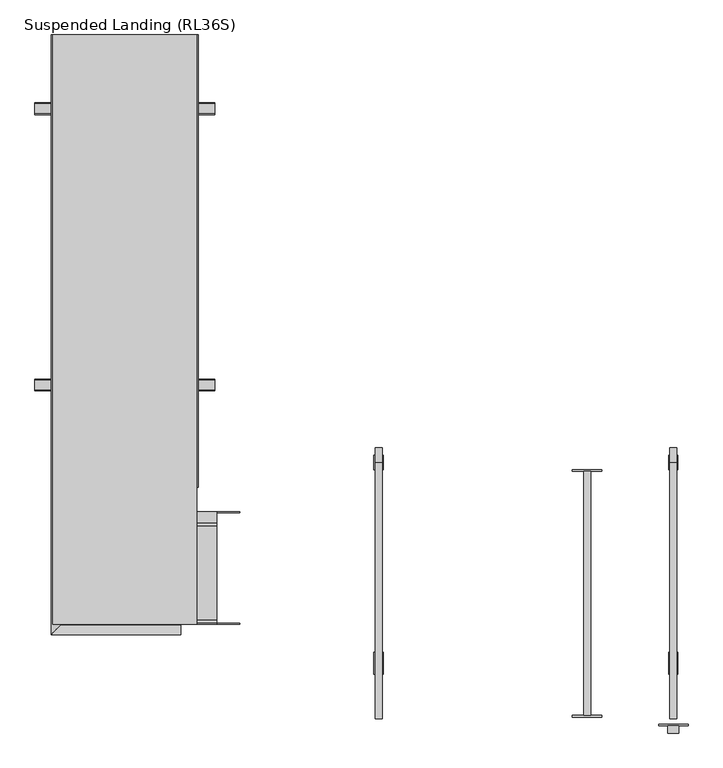
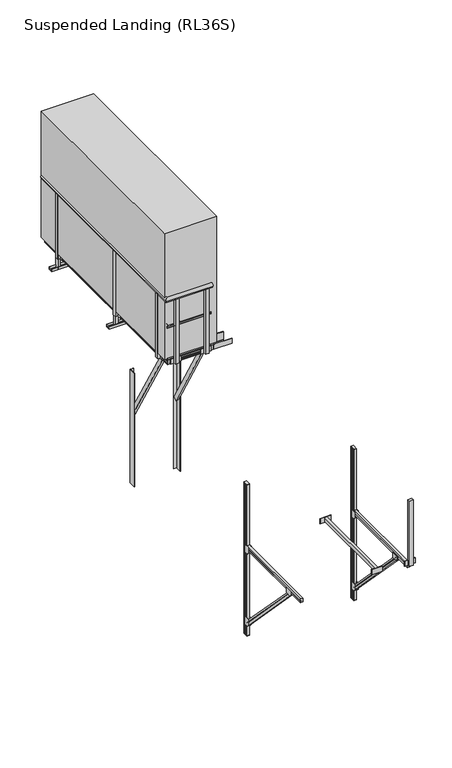
"""IFC4 building model written with IfcOpenShell, lengths in millimetres: proxy geometry, Suspended Landing (RL36S)."""

from ifc_helpers import new_model, si_unit, frame, origin, place, context, project, spatial, polyline, circle_curve, ellipse_curve, outline, extrude, faceted_brep, source, transform, mapped, element, save
from ifc_brep_helpers import plane_surface, cylinder_surface, advanced_brep


def suspended_landing_rl36s_077e05f3(model_context):
    return source(origin(), model_context, "Body", "SolidModel", [
        extrude(outline(polyline([(-2675.1083547, -748.0), (-2675.1083547, -786.5), (-2733.6083547, -786.5), (-2733.6083547, -748.0), (-2675.1083547, -748.0)])), frame((0.0, 0.0, 8909.0), z_axis=(0.0, 0.0, 1.0), x_axis=(1.0, 0.0, 0.0)), (0.0, 0.0, 1.0), 1035.5),
        extrude(outline(polyline([(-2624.3583547, -748.0), (-2784.3583547, -748.0), (-2784.3583547, -738.0), (-2624.3583547, -738.0), (-2624.3583547, -748.0)])), frame((0.0, 0.0, 8904.0), z_axis=(0.0, 0.0, 1.0), x_axis=(1.0, 0.0, 0.0)), (0.0, 0.0, 1.0), 80.0),
        extrude(outline(polyline([(-3125.1083547, -748.0), (-3125.1083547, -786.5), (-3183.6083547, -786.5), (-3183.6083547, -748.0), (-3125.1083547, -748.0)])), frame((0.0, 0.0, 8909.0), z_axis=(0.0, 0.0, 1.0), x_axis=(1.0, 0.0, 0.0)), (0.0, 0.0, 1.0), 1035.5),
        extrude(outline(polyline([(-3074.3583547, -748.0), (-3234.3583547, -748.0), (-3234.3583547, -738.0), (-3074.3583547, -738.0), (-3074.3583547, -748.0)])), frame((0.0, 0.0, 8904.0), z_axis=(0.0, 0.0, 1.0), x_axis=(1.0, 0.0, 0.0)), (0.0, 0.0, 1.0), 80.0),
        extrude(outline(polyline([(-2634.3583547, 2161.25), (-2634.3583547, 2122.75), (-3224.3583547, 2122.75), (-3224.3583547, 2161.25), (-2634.3583547, 2161.25)])), frame((0.0, 0.0, 8925.5), z_axis=(0.0, 0.0, 1.0), x_axis=(1.0, 0.0, 0.0)), (0.0, 0.0, 1.0), 58.5),
        extrude(outline(polyline([(-3224.3583547, 2222.0), (-3224.3583547, 2062.0), (-3234.3583547, 2062.0), (-3234.3583547, 2222.0), (-3224.3583547, 2222.0)])), frame((0.0, 0.0, 8904.0), z_axis=(0.0, 0.0, 1.0), x_axis=(1.0, 0.0, 0.0)), (0.0, 0.0, 1.0), 80.0),
        extrude(outline(polyline([(-2624.3583547, 2222.0), (-2624.3583547, 2062.0), (-2634.3583547, 2062.0), (-2634.3583547, 2222.0), (-2624.3583547, 2222.0)])), frame((0.0, 0.0, 8904.0), z_axis=(0.0, 0.0, 1.0), x_axis=(1.0, 0.0, 0.0)), (0.0, 0.0, 1.0), 80.0),
        extrude(outline(polyline([(-2634.3583547, 1521.25), (-2634.3583547, 1482.75), (-3224.3583547, 1482.75), (-3224.3583547, 1521.25), (-2634.3583547, 1521.25)])), frame((0.0, 0.0, 8925.5), z_axis=(0.0, 0.0, 1.0), x_axis=(1.0, 0.0, 0.0)), (0.0, 0.0, 1.0), 58.5),
        extrude(outline(polyline([(-3224.3583547, 1582.0), (-3224.3583547, 1422.0), (-3234.3583547, 1422.0), (-3234.3583547, 1582.0), (-3224.3583547, 1582.0)])), frame((0.0, 0.0, 8904.0), z_axis=(0.0, 0.0, 1.0), x_axis=(1.0, 0.0, 0.0)), (0.0, 0.0, 1.0), 80.0),
        extrude(outline(polyline([(-2624.3583547, 1582.0), (-2624.3583547, 1422.0), (-2634.3583547, 1422.0), (-2634.3583547, 1582.0), (-2624.3583547, 1582.0)])), frame((0.0, 0.0, 8904.0), z_axis=(0.0, 0.0, 1.0), x_axis=(1.0, 0.0, 0.0)), (0.0, 0.0, 1.0), 80.0),
        extrude(outline(polyline([(-3282.8583547, -567.25), (-3321.3583547, -567.25), (-3321.3583547, -508.75), (-3282.8583547, -508.75), (-3282.8583547, -567.25)])), frame((0.0, 0.0, 8909.0), z_axis=(0.0, 0.0, 1.0), x_axis=(1.0, 0.0, 0.0)), (0.0, 0.0, 1.0), 1035.5),
        extrude(outline(polyline([(-3282.8583547, -618.0), (-3282.8583547, -458.0), (-3272.8583547, -458.0), (-3272.8583547, -618.0), (-3282.8583547, -618.0)])), frame((0.0, 0.0, 8904.0), z_axis=(0.0, 0.0, 1.0), x_axis=(1.0, 0.0, 0.0)), (0.0, 0.0, 1.0), 80.0),
        extrude(outline(polyline([(-3282.8583547, 2032.75), (-3321.3583547, 2032.75), (-3321.3583547, 2091.25), (-3282.8583547, 2091.25), (-3282.8583547, 2032.75)])), frame((0.0, 0.0, 8909.0), z_axis=(0.0, 0.0, 1.0), x_axis=(1.0, 0.0, 0.0)), (0.0, 0.0, 1.0), 1035.5),
        extrude(outline(polyline([(-3282.8583547, 1982.0), (-3282.8583547, 2142.0), (-3272.8583547, 2142.0), (-3272.8583547, 1982.0), (-3282.8583547, 1982.0)])), frame((0.0, 0.0, 8904.0), z_axis=(0.0, 0.0, 1.0), x_axis=(1.0, 0.0, 0.0)), (0.0, 0.0, 1.0), 80.0),
        extrude(outline(polyline([(-2575.8583547, 2091.25), (-2537.3583547, 2091.25), (-2537.3583547, 2032.75), (-2575.8583547, 2032.75), (-2575.8583547, 2091.25)])), frame((0.0, 0.0, 8909.0), z_axis=(0.0, 0.0, 1.0), x_axis=(1.0, 0.0, 0.0)), (0.0, 0.0, 1.0), 1035.5),
        extrude(outline(polyline([(-2575.8583547, 2142.0), (-2575.8583547, 1982.0), (-2585.8583547, 1982.0), (-2585.8583547, 2142.0), (-2575.8583547, 2142.0)])), frame((0.0, 0.0, 8904.0), z_axis=(0.0, 0.0, 1.0), x_axis=(1.0, 0.0, 0.0)), (0.0, 0.0, 1.0), 80.0),
        extrude(outline(polyline([(590.5, 8790.0), (594.5, 8790.0), (594.5, 8750.0), (529.5, 8750.0), (529.5, 8790.0), (533.5, 8790.0), (533.5, 8754.0), (590.5, 8754.0), (590.5, 8790.0)])), frame((-3416.8583547, 0.0, 0.0), z_axis=(1.0, 0.0, 0.0), x_axis=(0.0, 1.0, 0.0)), (0.0, 0.0, 1.0), 975.0),
        extrude(outline(polyline([(2090.5, 8790.0), (2094.5, 8790.0), (2094.5, 8750.0), (2029.5, 8750.0), (2029.5, 8790.0), (2033.5, 8790.0), (2033.5, 8754.0), (2090.5, 8754.0), (2090.5, 8790.0)])), frame((-3416.8583547, 0.0, 0.0), z_axis=(1.0, 0.0, 0.0), x_axis=(0.0, 1.0, 0.0)), (0.0, 0.0, 1.0), 975.0),
        extrude(outline(polyline([(-3316.8583547, 589.0), (-3282.8583547, 589.0), (-3282.8583547, 535.0), (-3316.8583547, 535.0), (-3316.8583547, 589.0)])), frame((0.0, 0.0, 8754.0), z_axis=(0.0, 0.0, 1.0), x_axis=(1.0, 0.0, 0.0)), (0.0, 0.0, 1.0), 230.0),
        extrude(outline(polyline([(-2575.8583547, 535.0), (-2575.8583547, 589.0), (-2541.8583547, 589.0), (-2541.8583547, 535.0), (-2575.8583547, 535.0)])), frame((0.0, 0.0, 8754.0), z_axis=(0.0, 0.0, 1.0), x_axis=(1.0, 0.0, 0.0)), (0.0, 0.0, 1.0), 230.0),
        extrude(outline(polyline([(-3316.8583547, 2035.0), (-3316.8583547, 2089.0), (-3282.8583547, 2089.0), (-3282.8583547, 2035.0), (-3316.8583547, 2035.0)])), frame((0.0, 0.0, 8754.0), z_axis=(0.0, 0.0, 1.0), x_axis=(1.0, 0.0, 0.0)), (0.0, 0.0, 1.0), 230.0),
        extrude(outline(polyline([(-2575.8583547, 2089.0), (-2541.8583547, 2089.0), (-2541.8583547, 2035.0), (-2575.8583547, 2035.0), (-2575.8583547, 2089.0)])), frame((0.0, 0.0, 8754.0), z_axis=(0.0, 0.0, 1.0), x_axis=(1.0, 0.0, 0.0)), (0.0, 0.0, 1.0), 230.0),
        extrude(outline(polyline([(-2634.3583547, 881.25), (-2634.3583547, 842.75), (-3224.3583547, 842.75), (-3224.3583547, 881.25), (-2634.3583547, 881.25)])), frame((0.0, 0.0, 8925.5), z_axis=(0.0, 0.0, 1.0), x_axis=(1.0, 0.0, 0.0)), (0.0, 0.0, 1.0), 58.5),
        extrude(outline(polyline([(-3224.3583547, 942.0), (-3224.3583547, 782.0), (-3234.3583547, 782.0), (-3234.3583547, 942.0), (-3224.3583547, 942.0)])), frame((0.0, 0.0, 8904.0), z_axis=(0.0, 0.0, 1.0), x_axis=(1.0, 0.0, 0.0)), (0.0, 0.0, 1.0), 80.0),
        extrude(outline(polyline([(-2624.3583547, 942.0), (-2624.3583547, 782.0), (-2634.3583547, 782.0), (-2634.3583547, 942.0), (-2624.3583547, 942.0)])), frame((0.0, 0.0, 8904.0), z_axis=(0.0, 0.0, 1.0), x_axis=(1.0, 0.0, 0.0)), (0.0, 0.0, 1.0), 80.0),
        extrude(outline(polyline([(-3282.8583547, 532.75), (-3321.3583547, 532.75), (-3321.3583547, 591.25), (-3282.8583547, 591.25), (-3282.8583547, 532.75)])), frame((0.0, 0.0, 8909.0), z_axis=(0.0, 0.0, 1.0), x_axis=(1.0, 0.0, 0.0)), (0.0, 0.0, 1.0), 1035.5),
        extrude(outline(polyline([(-3282.8583547, 482.0), (-3282.8583547, 642.0), (-3272.8583547, 642.0), (-3272.8583547, 482.0), (-3282.8583547, 482.0)])), frame((0.0, 0.0, 8904.0), z_axis=(0.0, 0.0, 1.0), x_axis=(1.0, 0.0, 0.0)), (0.0, 0.0, 1.0), 80.0),
        extrude(outline(polyline([(-2575.8583547, 591.25), (-2537.3583547, 591.25), (-2537.3583547, 532.75), (-2575.8583547, 532.75), (-2575.8583547, 591.25)])), frame((0.0, 0.0, 8909.0), z_axis=(0.0, 0.0, 1.0), x_axis=(1.0, 0.0, 0.0)), (0.0, 0.0, 1.0), 1035.5),
        extrude(outline(polyline([(-2575.8583547, 642.0), (-2575.8583547, 482.0), (-2585.8583547, 482.0), (-2585.8583547, 642.0), (-2575.8583547, 642.0)])), frame((0.0, 0.0, 8904.0), z_axis=(0.0, 0.0, 1.0), x_axis=(1.0, 0.0, 0.0)), (0.0, 0.0, 1.0), 80.0),
        extrude(outline(polyline([(-2634.3583547, 241.25), (-2634.3583547, 202.75), (-3224.3583547, 202.75), (-3224.3583547, 241.25), (-2634.3583547, 241.25)])), frame((0.0, 0.0, 8925.5), z_axis=(0.0, 0.0, 1.0), x_axis=(1.0, 0.0, 0.0)), (0.0, 0.0, 1.0), 58.5),
        extrude(outline(polyline([(-3224.3583547, 302.0), (-3224.3583547, 142.0), (-3234.3583547, 142.0), (-3234.3583547, 302.0), (-3224.3583547, 302.0)])), frame((0.0, 0.0, 8904.0), z_axis=(0.0, 0.0, 1.0), x_axis=(1.0, 0.0, 0.0)), (0.0, 0.0, 1.0), 80.0),
        extrude(outline(polyline([(-2624.3583547, 302.0), (-2624.3583547, 142.0), (-2634.3583547, 142.0), (-2634.3583547, 302.0), (-2624.3583547, 302.0)])), frame((0.0, 0.0, 8904.0), z_axis=(0.0, 0.0, 1.0), x_axis=(1.0, 0.0, 0.0)), (0.0, 0.0, 1.0), 80.0),
        extrude(outline(polyline([(-2634.3583547, -398.75), (-2634.3583547, -437.25), (-3224.3583547, -437.25), (-3224.3583547, -398.75), (-2634.3583547, -398.75)])), frame((0.0, 0.0, 8925.5), z_axis=(0.0, 0.0, 1.0), x_axis=(1.0, 0.0, 0.0)), (0.0, 0.0, 1.0), 58.5),
        extrude(outline(polyline([(-3224.3583547, -338.0), (-3224.3583547, -498.0), (-3234.3583547, -498.0), (-3234.3583547, -338.0), (-3224.3583547, -338.0)])), frame((0.0, 0.0, 8904.0), z_axis=(0.0, 0.0, 1.0), x_axis=(1.0, 0.0, 0.0)), (0.0, 0.0, 1.0), 80.0),
        extrude(outline(polyline([(-2624.3583547, -338.0), (-2624.3583547, -498.0), (-2634.3583547, -498.0), (-2634.3583547, -338.0), (-2624.3583547, -338.0)])), frame((0.0, 0.0, 8904.0), z_axis=(0.0, 0.0, 1.0), x_axis=(1.0, 0.0, 0.0)), (0.0, 0.0, 1.0), 80.0),
        extrude(outline(polyline([(-2644.8583547, -719.5), (-2644.8583547, -125.0), (-2429.8583547, -125.0), (-2429.8583547, -719.5), (-2644.8583547, -719.5)])), frame((0.0, 0.0, 8984.0), z_axis=(0.0, 0.0, 1.0), x_axis=(1.0, 0.0, 0.0)), (0.0, 0.0, 1.0), 16.0),
        extrude(outline(polyline([(-2585.8583547, -738.0), (-2585.8583547, -125.0), (-2305.8583547, -125.0), (-2305.8583547, -131.0), (-2579.8583547, -131.0), (-2579.8583547, -732.0), (-2305.8583547, -732.0), (-2305.8583547, -738.0), (-2585.8583547, -738.0)])), frame((0.0, 0.0, 8904.0), z_axis=(0.0, 0.0, 1.0), x_axis=(1.0, 0.0, 0.0)), (0.0, 0.0, 1.0), 80.0),
        extrude(outline(polyline([(-38.5, 0.0), (0.0, 0.0), (0.0, -60.0), (-38.5, -60.0), (-38.5, 0.0)])), frame((-2585.8583547, 222.0, 7587.6413862), z_axis=(0.0, -0.5000000000000009, 0.8660254037844382), x_axis=(1.0, 0.0, 0.0)), (0.0, 0.0, 1.0), 1520.0),
        extrude(outline(polyline([(38.5, 0.0), (38.5, -60.0), (0.0, -60.0), (0.0, 0.0), (38.5, 0.0)])), frame((-3272.8583547, 222.0, 7587.6413862), z_axis=(0.0, -0.5000000000000009, 0.8660254037844382), x_axis=(1.0, 0.0, 0.0)), (0.0, 0.0, 1.0), 1520.0),
        extrude(outline(polyline([(-3228.8583547, 222.0), (-3228.8583547, 216.0), (-3272.8583547, 216.0), (-3272.8583547, 122.0), (-3278.8583547, 122.0), (-3278.8583547, 222.0), (-3228.8583547, 222.0)])), frame((0.0, 0.0, 6450.0), z_axis=(0.0, 0.0, 1.0), x_axis=(1.0, 0.0, 0.0)), (0.0, 0.0, 1.0), 1800.0),
        extrude(outline(polyline([(-2629.8583547, 222.0), (-2579.8583547, 222.0), (-2579.8583547, 122.0), (-2585.8583547, 122.0), (-2585.8583547, 216.0), (-2629.8583547, 216.0), (-2629.8583547, 222.0)])), frame((0.0, 0.0, 6450.0), z_axis=(0.0, 0.0, 1.0), x_axis=(1.0, 0.0, 0.0)), (0.0, 0.0, 1.0), 1800.0),
        advanced_brep(
        [(-2535.3583547, 2462.0, 9951.43534), (-2577.3583547, 2462.0, 9951.43534), (-2577.3583547, 7.5, 9951.43534), (-2535.3583547, 7.5, 9951.43534), (-2535.3583547, 2462.0, 9933.0), (-2535.3583547, 7.5, 9933.0), (-2577.3583547, 2462.0, 9933.0), (-2577.3583547, 7.5, 9933.0)],
        [
            (0, 1, circle_curve(frame((-2556.3583547, 2462.0, 9965.0), z_axis=(0.0, -1.0, 0.0), x_axis=(1.0, 0.0, 0.0)), 25.0)),
            (1, 2),
            (2, 3, circle_curve(frame((-2556.3583547, 7.5, 9965.0), z_axis=(0.0, 1.0, 0.0), x_axis=(1.0, 0.0, 0.0)), 25.0)),
            (3, 0),
            (4, 0),
            (3, 5),
            (5, 4),
            (1, 6),
            (6, 7),
            (7, 2),
            (4, 6),
            (7, 5),
        ],
        [
            cylinder_surface(frame((-2556.3583547, 2562.0, 9965.0), z_axis=(0.0, 1.0, 0.0), x_axis=(1.0, 0.0, 0.0)), 25.0),
            plane_surface(frame((-2535.3583547, 2558.0, 9951.43534), z_axis=(1.0, 0.0, 0.0), x_axis=(0.0, -1.0, 0.0))),
            plane_surface(frame((-2577.3583547, 2516.0, 9933.0), z_axis=(-1.0, 0.0, 0.0), x_axis=(0.0, -1.0, 0.0))),
            plane_surface(frame((-3327.8583547, 2462.0, 10000.0), z_axis=(0.0, 1.0, 0.0), x_axis=(0.0, 0.0, -1.0))),
            plane_surface(frame((-2429.8583547, 7.5, 10000.0), z_axis=(0.0, -1.0, 0.0), x_axis=(0.0, 0.0, -1.0))),
            plane_surface(frame((-2429.8583547, -788.5, 9933.0), z_axis=(0.0, 0.0, -1.0), x_axis=(-1.0, 0.0, 0.0))),
        ],
        [
            (0, [[1, 2, 3, 4]]),
            (1, [[5, -4, 6, 7]]),
            (2, [[8, 9, 10, -2]]),
            (3, [[-1, -5, 11, -8]]),
            (4, [[-3, -10, 12, -6]]),
            (5, [[-11, -7, -12, -9]]),
        ],
    ),
        advanced_brep(
        [(-2575.8583547, 2462.0, 9512.5825217), (-2610.1583547, 2462.0, 9507.591183), (-2610.1583547, 7.5, 9507.591183), (-2575.8583547, 7.5, 9512.5825217), (-2575.8583547, 2462.0, 9487.8343903), (-2575.8583547, 7.5, 9487.8343903), (-2610.1583547, 2462.0, 9492.825729), (-2610.1583547, 7.5, 9492.825729), (-2606.1583547, 2462.0, 9507.591183), (-2606.1583547, 2462.0, 9492.825729), (-2606.1583547, 7.5, 9492.825729), (-2606.1583547, 7.5, 9507.591183)],
        [
            (0, 1, circle_curve(frame((-2591.5708497, 2462.0, 9500.208456), z_axis=(0.0, -1.0, 0.0), x_axis=(1.0, 0.0, 0.0)), 20.0)),
            (1, 2),
            (2, 3, circle_curve(frame((-2591.5708497, 7.5, 9500.208456), z_axis=(0.0, 1.0, 0.0), x_axis=(1.0, 0.0, 0.0)), 20.0)),
            (3, 0),
            (4, 0),
            (3, 5),
            (5, 4),
            (6, 4, circle_curve(frame((-2591.5708497, 2462.0, 9500.208456), z_axis=(0.0, -1.0, 0.0), x_axis=(1.0, 0.0, 0.0)), 20.0)),
            (5, 7, circle_curve(frame((-2591.5708497, 7.5, 9500.208456), z_axis=(0.0, 1.0, 0.0), x_axis=(1.0, 0.0, 0.0)), 20.0)),
            (7, 6),
            (8, 9),
            (9, 10),
            (10, 11),
            (11, 8),
            (6, 9),
            (8, 1),
            (2, 11),
            (10, 7),
        ],
        [
            cylinder_surface(frame((-2591.5708497, 2562.0, 9500.208456), z_axis=(0.0, 1.0, 0.0), x_axis=(1.0, 0.0, 0.0)), 20.0),
            plane_surface(frame((-2575.8583547, 2517.5, 9512.5825217), z_axis=(1.0, 0.0, 0.0), x_axis=(0.0, -1.0, 0.0))),
            plane_surface(frame((-2606.1583547, 2487.2, 9492.825729), z_axis=(-1.0, 0.0, 0.0), x_axis=(0.0, -1.0, 0.0))),
            plane_surface(frame((-3327.8583547, 2462.0, 10000.0), z_axis=(0.0, 1.0, 0.0), x_axis=(0.0, 0.0, -1.0))),
            plane_surface(frame((-2429.8583547, 7.5, 10000.0), z_axis=(0.0, -1.0, 0.0), x_axis=(0.0, 0.0, -1.0))),
            plane_surface(frame((-2429.8583547, -713.7, 9492.825729), z_axis=(0.0, 0.0, 1.0), x_axis=(-1.0, 0.0, 0.0))),
            plane_surface(frame((-2429.8583547, -717.7, 9507.591183), z_axis=(0.0, 0.0, -1.0), x_axis=(-1.0, 0.0, 0.0))),
        ],
        [
            (0, [[1, 2, 3, 4]]),
            (1, [[5, -4, 6, 7]]),
            (0, [[8, -7, 9, 10]]),
            (2, [[11, 12, 13, 14]]),
            (3, [[-1, -5, -8, 15, -11, 16]]),
            (4, [[-3, 17, -13, 18, -9, -6]]),
            (5, [[-15, -10, -18, -12]]),
            (6, [[-16, -14, -17, -2]]),
        ],
    ),
        faceted_brep([(-2595.8583547, -189.5, 9126.0), (-2595.8583547, -189.5, 9006.0), (-2595.8583547, 2462.0, 9006.0), (-2595.8583547, 2462.0, 9126.0), (-2595.8583547, 7.5, 9126.0), (-2608.8583547, -202.5, 9006.0), (-2608.8583547, -202.5, 9126.0), (-2608.8583547, 7.5, 9126.0), (-2608.8583547, 2462.0, 9126.0), (-2608.8583547, 2462.0, 9006.0), (-2429.8583547, -202.5, 9126.0), (-2429.8583547, -189.5, 9126.0), (-2429.8583547, -189.5, 9006.0), (-2429.8583547, -202.5, 9006.0)], [[[0, 1, 2, 3, 4]], [[5, 6, 7, 8, 9]], [[3, 2, 9, 8]], [[6, 10, 11, 0, 4, 3, 8, 7]], [[1, 12, 13, 5, 9, 2]], [[11, 10, 13, 12]], [[1, 0, 11, 12]], [[6, 5, 13, 10]]]),
        advanced_brep(
        [(-3281.3583547, -746.5, 9951.43534), (-3323.3583547, -788.5, 9951.43534), (-2624.3583547, -788.5, 9951.43534), (-2624.3583547, -792.5, 9965.0), (-2624.3583547, -746.5, 9951.43534), (-3323.3583547, -788.5, 9933.0), (-2624.3583547, -788.5, 9933.0), (-3281.3583547, -746.5, 9933.0), (-2624.3583547, -746.5, 9933.0), (-3281.3583547, 2462.0, 9951.43534), (-3323.3583547, 2462.0, 9951.43534), (-3323.3583547, 2462.0, 9933.0), (-3281.3583547, 2462.0, 9933.0)],
        [
            (0, 1, ellipse_curve(frame((-3302.3583547, -767.5, 9965.0), z_axis=(0.7071067811865475, -0.7071067811865475, 0.0), x_axis=(0.7071067811865476, 0.7071067811865474, 0.0)), 35.3553391, 25.0)),
            (1, 2),
            (2, 3, circle_curve(frame((-2624.3583547, -767.5, 9965.0), z_axis=(-1.0, 0.0, 0.0), x_axis=(0.0, -1.0, 0.0)), 25.0)),
            (3, 4, circle_curve(frame((-2624.3583547, -767.5, 9965.0), z_axis=(-1.0, 0.0, 0.0), x_axis=(0.0, -1.0, 0.0)), 25.0)),
            (4, 0),
            (1, 5),
            (5, 6),
            (6, 2),
            (7, 0),
            (4, 8),
            (8, 7),
            (0, 9),
            (9, 10, circle_curve(frame((-3302.3583547, 2462.0, 9965.0), z_axis=(0.0, -1.0, 0.0), x_axis=(-1.0, 0.0, 0.0)), 25.0)),
            (10, 1),
            (10, 11),
            (11, 5),
            (7, 12),
            (12, 9),
            (12, 11),
            (6, 8),
        ],
        [
            cylinder_surface(frame((-2429.8583547, -767.5, 9965.0), z_axis=(1.0, 0.0, 0.0), x_axis=(0.0, -1.0, 0.0)), 25.0),
            plane_surface(frame((-2429.8583547, -788.5, 9951.43534), z_axis=(0.0, -1.0, 0.0), x_axis=(-1.0, 0.0, 0.0))),
            plane_surface(frame((-2429.8583547, -746.5, 9933.0), z_axis=(0.0, 1.0, 0.0), x_axis=(-1.0, 0.0, 0.0))),
            cylinder_surface(frame((-3302.3583547, -792.5, 9965.0), z_axis=(0.0, -1.0, 0.0), x_axis=(-1.0, 0.0, 0.0)), 25.0),
            plane_surface(frame((-3323.3583547, -788.5, 9951.43534), z_axis=(-1.0, 0.0, 0.0), x_axis=(0.0, 1.0, 0.0))),
            plane_surface(frame((-3281.3583547, -746.5, 9933.0), z_axis=(1.0, 0.0, 0.0), x_axis=(0.0, 1.0, 0.0))),
            plane_surface(frame((-3327.8583547, 2462.0, 10000.0), z_axis=(0.0, 1.0, 0.0), x_axis=(0.0, 0.0, -1.0))),
            plane_surface(frame((-2624.3583547, 7.5, 10000.0), z_axis=(1.0, 0.0, 0.0), x_axis=(0.0, 0.0, -1.0))),
            plane_surface(frame((-2429.8583547, -788.5, 9933.0), z_axis=(0.0, 0.0, -1.0), x_axis=(-1.0, 0.0, 0.0))),
        ],
        [
            (0, [[1, 2, 3, 4, 5]]),
            (1, [[6, 7, 8, -2]]),
            (2, [[9, -5, 10, 11]]),
            (3, [[-1, 12, 13, 14]]),
            (4, [[-6, -14, 15, 16]]),
            (5, [[-9, 17, 18, -12]]),
            (6, [[19, -15, -13, -18]]),
            (7, [[-4, -3, -8, 20, -10]]),
            (8, [[-16, -19, -17, -11, -20, -7]]),
        ],
    ),
        advanced_brep(
        [(-3248.5583547, -713.7, 9507.591183), (-3282.8583547, -748.0, 9512.5825217), (-2624.3583547, -748.0, 9512.5825217), (-2624.3583547, -713.7, 9507.591183), (-3282.8583547, -748.0, 9487.8343903), (-2624.3583547, -748.0, 9487.8343903), (-3248.5583547, -713.7, 9492.825729), (-2624.3583547, -713.7, 9492.825729), (-3252.5583547, -717.7, 9492.825729), (-3252.5583547, -717.7, 9507.591183), (-2624.3583547, -717.7, 9507.591183), (-2624.3583547, -717.7, 9492.825729), (-3248.5583547, 2462.0, 9507.591183), (-3282.8583547, 2462.0, 9512.5825217), (-3282.8583547, 2462.0, 9487.8343903), (-3248.5583547, 2462.0, 9492.825729), (-3252.5583547, 2462.0, 9492.825729), (-3252.5583547, 2462.0, 9507.591183)],
        [
            (0, 1, ellipse_curve(frame((-3267.1458597, -732.287505, 9500.208456), z_axis=(0.7071067811865475, -0.7071067811865475, 0.0), x_axis=(0.7071067811865476, 0.7071067811865474, 0.0)), 28.2842712, 20.0)),
            (1, 2),
            (2, 3, circle_curve(frame((-2624.3583547, -732.287505, 9500.208456), z_axis=(-1.0, 0.0, 0.0), x_axis=(0.0, -1.0, 0.0)), 20.0)),
            (3, 0),
            (1, 4),
            (4, 5),
            (5, 2),
            (4, 6, ellipse_curve(frame((-3267.1458597, -732.287505, 9500.208456), z_axis=(0.7071067811865475, -0.7071067811865475, 0.0), x_axis=(0.7071067811865476, 0.7071067811865474, 0.0)), 28.2842712, 20.0)),
            (6, 7),
            (7, 5, circle_curve(frame((-2624.3583547, -732.287505, 9500.208456), z_axis=(-1.0, 0.0, 0.0), x_axis=(0.0, -1.0, 0.0)), 20.0)),
            (8, 9),
            (9, 10),
            (10, 11),
            (11, 8),
            (0, 12),
            (12, 13, circle_curve(frame((-3267.1458597, 2462.0, 9500.208456), z_axis=(0.0, -1.0, 0.0), x_axis=(-1.0, 0.0, 0.0)), 20.0)),
            (13, 1),
            (13, 14),
            (14, 4),
            (14, 15, circle_curve(frame((-3267.1458597, 2462.0, 9500.208456), z_axis=(0.0, -1.0, 0.0), x_axis=(-1.0, 0.0, 0.0)), 20.0)),
            (15, 6),
            (8, 16),
            (16, 17),
            (17, 9),
            (16, 15),
            (12, 17),
            (7, 11),
            (10, 3),
        ],
        [
            cylinder_surface(frame((-2429.8583547, -732.287505, 9500.208456), z_axis=(1.0, 0.0, 0.0), x_axis=(0.0, -1.0, 0.0)), 20.0),
            plane_surface(frame((-2429.8583547, -748.0, 9512.5825217), z_axis=(0.0, -1.0, 0.0), x_axis=(-1.0, 0.0, 0.0))),
            plane_surface(frame((-2429.8583547, -717.7, 9492.825729), z_axis=(0.0, 1.0, 0.0), x_axis=(-1.0, 0.0, 0.0))),
            cylinder_surface(frame((-3267.1458597, -792.5, 9500.208456), z_axis=(0.0, -1.0, 0.0), x_axis=(-1.0, 0.0, 0.0)), 20.0),
            plane_surface(frame((-3282.8583547, -748.0, 9512.5825217), z_axis=(-1.0, 0.0, 0.0), x_axis=(0.0, 1.0, 0.0))),
            plane_surface(frame((-3252.5583547, -717.7, 9492.825729), z_axis=(1.0, 0.0, 0.0), x_axis=(0.0, 1.0, 0.0))),
            plane_surface(frame((-3327.8583547, 2462.0, 10000.0), z_axis=(0.0, 1.0, 0.0), x_axis=(0.0, 0.0, -1.0))),
            plane_surface(frame((-2624.3583547, 7.5, 10000.0), z_axis=(1.0, 0.0, 0.0), x_axis=(0.0, 0.0, -1.0))),
            plane_surface(frame((-2429.8583547, -713.7, 9492.825729), z_axis=(0.0, 0.0, 1.0), x_axis=(-1.0, 0.0, 0.0))),
            plane_surface(frame((-2429.8583547, -717.7, 9507.591183), z_axis=(0.0, 0.0, -1.0), x_axis=(-1.0, 0.0, 0.0))),
        ],
        [
            (0, [[1, 2, 3, 4]]),
            (1, [[5, 6, 7, -2]]),
            (0, [[8, 9, 10, -6]]),
            (2, [[11, 12, 13, 14]]),
            (3, [[-1, 15, 16, 17]]),
            (4, [[-5, -17, 18, 19]]),
            (3, [[-8, -19, 20, 21]]),
            (5, [[-11, 22, 23, 24]]),
            (6, [[25, -20, -18, -16, 26, -23]]),
            (7, [[-3, -7, -10, 27, -13, 28]]),
            (8, [[-21, -25, -22, -14, -27, -9]]),
            (9, [[-24, -26, -15, -4, -28, -12]]),
        ],
    ),
        faceted_brep([(-2429.8583547, -728.0, 9006.0), (-2429.8583547, -728.0, 9126.0), (-2624.3583547, -728.0, 9126.0), (-3262.8583547, -728.0, 9126.0), (-3262.8583547, -728.0, 9006.0), (-2429.8583547, -715.0, 9126.0), (-2429.8583547, -715.0, 9006.0), (-3249.8583547, -715.0, 9006.0), (-3249.8583547, -715.0, 9126.0), (-2624.3583547, -715.0, 9126.0), (-3262.8583547, 2462.0, 9126.0), (-3262.8583547, 2462.0, 9006.0), (-3249.8583547, 2462.0, 9006.0), (-3249.8583547, 2462.0, 9126.0)], [[[0, 1, 2, 3, 4]], [[5, 6, 7, 8, 9]], [[4, 3, 10, 11]], [[8, 7, 12, 13]], [[10, 13, 12, 11]], [[5, 1, 0, 6]], [[1, 5, 9, 8, 13, 10, 3, 2]], [[6, 0, 4, 11, 12, 7]]]),
        faceted_brep([(-3234.3583547, 2459.0, 8984.0), (-3272.8583547, 2459.0, 8984.0), (-3272.8583547, -735.0, 8984.0), (-3234.3583547, -735.0, 8984.0), (-3234.3583547, -738.0, 8984.0), (-2624.3583547, -738.0, 8984.0), (-2624.3583547, -735.0, 8984.0), (-2585.8583547, -735.0, 8984.0), (-2585.8583547, 2459.0, 8984.0), (-2624.3583547, 2459.0, 8984.0), (-2624.3583547, 2462.0, 8984.0), (-3234.3583547, 2462.0, 8984.0), (-2624.3583547, 2423.5, 8984.0), (-2624.3583547, -699.5, 8984.0), (-3234.3583547, -699.5, 8984.0), (-3234.3583547, 2423.5, 8984.0), (-3234.3583547, 2459.0, 8904.0), (-3234.3583547, 2462.0, 8904.0), (-2624.3583547, 2462.0, 8904.0), (-2624.3583547, 2459.0, 8904.0), (-2585.8583547, 2459.0, 8904.0), (-2585.8583547, -735.0, 8904.0), (-2624.3583547, -735.0, 8904.0), (-2624.3583547, -738.0, 8904.0), (-3234.3583547, -738.0, 8904.0), (-3234.3583547, -735.0, 8904.0), (-3272.8583547, -735.0, 8904.0), (-3272.8583547, 2459.0, 8904.0), (-2624.3583547, 2423.5, 8904.0), (-3234.3583547, 2423.5, 8904.0), (-3234.3583547, -699.5, 8904.0), (-2624.3583547, -699.5, 8904.0), (-3234.3583547, 2459.0, 8977.0), (-3272.8583547, 2459.0, 8977.0), (-3272.8583547, 2459.0, 8911.0), (-3234.3583547, 2459.0, 8911.0), (-3234.3583547, 2459.0, 8967.0), (-3234.3583547, 2459.0, 8949.0), (-3272.8583547, 2459.0, 8949.0), (-3272.8583547, 2459.0, 8967.0), (-3234.3583547, 2459.0, 8939.0), (-3234.3583547, 2459.0, 8921.0), (-3272.8583547, 2459.0, 8921.0), (-3272.8583547, 2459.0, 8939.0), (-3272.8583547, -735.0, 8977.0), (-3272.8583547, -735.0, 8911.0), (-3272.8583547, -735.0, 8949.0), (-3272.8583547, -735.0, 8967.0), (-3272.8583547, -735.0, 8921.0), (-3272.8583547, -735.0, 8939.0), (-2624.3583547, -735.0, 8977.0), (-2585.8583547, -735.0, 8977.0), (-2585.8583547, -735.0, 8911.0), (-2624.3583547, -735.0, 8911.0), (-2624.3583547, -735.0, 8967.0), (-2624.3583547, -735.0, 8949.0), (-2585.8583547, -735.0, 8949.0), (-2585.8583547, -735.0, 8967.0), (-2624.3583547, -735.0, 8939.0), (-2624.3583547, -735.0, 8921.0), (-2585.8583547, -735.0, 8921.0), (-2585.8583547, -735.0, 8939.0), (-2585.8583547, 2459.0, 8977.0), (-2585.8583547, 2459.0, 8911.0), (-2585.8583547, 2459.0, 8949.0), (-2585.8583547, 2459.0, 8967.0), (-2585.8583547, 2459.0, 8921.0), (-2585.8583547, 2459.0, 8939.0), (-3234.3583547, -735.0, 8977.0), (-3234.3583547, -735.0, 8911.0), (-3234.3583547, -735.0, 8949.0), (-3234.3583547, -735.0, 8967.0), (-3234.3583547, -735.0, 8921.0), (-3234.3583547, -735.0, 8939.0), (-3234.3583547, -738.0, 8977.0), (-3234.3583547, -738.0, 8911.0), (-3234.3583547, -738.0, 8949.0), (-3234.3583547, -738.0, 8967.0), (-3234.3583547, -738.0, 8921.0), (-3234.3583547, -738.0, 8939.0), (-2624.3583547, -738.0, 8977.0), (-2624.3583547, -738.0, 8911.0), (-2624.3583547, -738.0, 8949.0), (-2624.3583547, -738.0, 8967.0), (-2624.3583547, -738.0, 8921.0), (-2624.3583547, -738.0, 8939.0), (-2624.3583547, 2459.0, 8977.0), (-2624.3583547, 2459.0, 8911.0), (-2624.3583547, 2459.0, 8949.0), (-2624.3583547, 2459.0, 8967.0), (-2624.3583547, 2459.0, 8921.0), (-2624.3583547, 2459.0, 8939.0), (-2624.3583547, 2462.0, 8977.0), (-2624.3583547, 2462.0, 8911.0), (-2624.3583547, 2462.0, 8949.0), (-2624.3583547, 2462.0, 8967.0), (-2624.3583547, 2462.0, 8921.0), (-2624.3583547, 2462.0, 8939.0), (-3234.3583547, 2462.0, 8977.0), (-3234.3583547, 2462.0, 8911.0), (-3234.3583547, 2462.0, 8949.0), (-3234.3583547, 2462.0, 8967.0), (-3234.3583547, 2462.0, 8921.0), (-3234.3583547, 2462.0, 8939.0), (-2598.8583547, 2449.0, 8977.0), (-2598.8583547, -725.0, 8977.0), (-2598.8583547, -725.0, 8967.0), (-2598.8583547, 2449.0, 8967.0), (-2598.8583547, 2449.0, 8921.0), (-2598.8583547, -725.0, 8921.0), (-2598.8583547, -725.0, 8911.0), (-2598.8583547, 2449.0, 8911.0), (-3259.8583547, -725.0, 8977.0), (-3259.8583547, -725.0, 8967.0), (-3259.8583547, -725.0, 8921.0), (-3259.8583547, -725.0, 8911.0), (-3259.8583547, 2449.0, 8977.0), (-3259.8583547, 2449.0, 8967.0), (-3259.8583547, 2449.0, 8921.0), (-3259.8583547, 2449.0, 8911.0), (-2598.8583547, 2449.0, 8949.0), (-2598.8583547, -725.0, 8949.0), (-2598.8583547, -725.0, 8939.0), (-2598.8583547, 2449.0, 8939.0), (-3259.8583547, -725.0, 8949.0), (-3259.8583547, -725.0, 8939.0), (-3259.8583547, 2449.0, 8949.0), (-3259.8583547, 2449.0, 8939.0)], [[[0, 1, 2, 3, 4, 5, 6, 7, 8, 9, 10, 11], [12, 13, 14, 15]], [[16, 17, 18, 19, 20, 21, 22, 23, 24, 25, 26, 27], [28, 29, 30, 31]], [[1, 0, 32, 33]], [[16, 27, 34, 35]], [[36, 37, 38, 39]], [[40, 41, 42, 43]], [[2, 1, 33, 44]], [[27, 26, 45, 34]], [[39, 38, 46, 47]], [[43, 42, 48, 49]], [[7, 6, 50, 51]], [[22, 21, 52, 53]], [[54, 55, 56, 57]], [[58, 59, 60, 61]], [[8, 7, 51, 62]], [[21, 20, 63, 52]], [[57, 56, 64, 65]], [[61, 60, 66, 67]], [[13, 12, 28, 31]], [[14, 13, 31, 30]], [[15, 14, 30, 29]], [[12, 15, 29, 28]], [[3, 2, 44, 68]], [[26, 25, 69, 45]], [[47, 46, 70, 71]], [[49, 48, 72, 73]], [[4, 3, 68, 74]], [[25, 24, 75, 69]], [[71, 70, 76, 77]], [[73, 72, 78, 79]], [[5, 4, 74, 80]], [[24, 23, 81, 75]], [[77, 76, 82, 83]], [[79, 78, 84, 85]], [[6, 5, 80, 50]], [[23, 22, 53, 81]], [[55, 54, 83, 82]], [[59, 58, 85, 84]], [[9, 8, 62, 86]], [[20, 19, 87, 63]], [[65, 64, 88, 89]], [[67, 66, 90, 91]], [[10, 9, 86, 92]], [[19, 18, 93, 87]], [[89, 88, 94, 95]], [[91, 90, 96, 97]], [[11, 10, 92, 98]], [[18, 17, 99, 93]], [[95, 94, 100, 101]], [[97, 96, 102, 103]], [[0, 11, 98, 32]], [[17, 16, 35, 99]], [[37, 36, 101, 100]], [[41, 40, 103, 102]], [[104, 105, 106, 107]], [[108, 109, 110, 111]], [[106, 105, 112, 113]], [[110, 109, 114, 115]], [[113, 112, 116, 117]], [[115, 114, 118, 119]], [[33, 32, 98, 92, 86, 62, 51, 50, 80, 74, 68, 44], [105, 104, 116, 112]], [[36, 39, 47, 71, 77, 83, 54, 57, 65, 89, 95, 101], [107, 106, 113, 117]], [[104, 107, 117, 116]], [[42, 41, 102, 96, 90, 66, 60, 59, 84, 78, 72, 48], [109, 108, 118, 114]], [[35, 34, 45, 69, 75, 81, 53, 52, 63, 87, 93, 99], [111, 110, 115, 119]], [[108, 111, 119, 118]], [[120, 121, 122, 123]], [[122, 121, 124, 125]], [[125, 124, 126, 127]], [[38, 37, 100, 94, 88, 64, 56, 55, 82, 76, 70, 46], [121, 120, 126, 124]], [[40, 43, 49, 73, 79, 85, 58, 61, 67, 91, 97, 103], [123, 122, 125, 127]], [[120, 123, 127, 126]]]),
        extrude(outline(polyline([(-2585.8583547, 2462.0), (-2585.8583547, -125.0), (-2644.8583547, -125.0), (-2644.8583547, 2443.5), (-3213.8583547, 2443.5), (-3213.8583547, -719.5), (-2429.8583547, -719.5), (-2429.8583547, -738.0), (-3272.8583547, -738.0), (-3272.8583547, 2462.0), (-2585.8583547, 2462.0)])), frame((0.0, 0.0, 8984.0), z_axis=(0.0, 0.0, 1.0), x_axis=(1.0, 0.0, 0.0)), (0.0, 0.0, 1.0), 19.0),
        extrude(outline(polyline([(-2644.8583547, 2443.5), (-2644.8583547, -719.5), (-3213.8583547, -719.5), (-3213.8583547, 2443.5), (-2644.8583547, 2443.5)])), frame((0.0, 0.0, 8984.0), z_axis=(0.0, 0.0, 1.0), x_axis=(1.0, 0.0, 0.0)), (0.0, 0.0, 1.0), 16.0),
        extrude(outline(polyline([(-3272.8583547, 2462.0), (-3234.3583547, 2462.0), (-3234.3583547, 2459.0), (-3272.8583547, 2459.0), (-3272.8583547, 2462.0)])), frame((0.0, 0.0, 8904.0), z_axis=(0.0, 0.0, 1.0), x_axis=(1.0, 0.0, 0.0)), (0.0, 0.0, 1.0), 80.0),
        extrude(outline(polyline([(-2624.3583547, 2462.0), (-2585.8583547, 2462.0), (-2585.8583547, 2459.0), (-2624.3583547, 2459.0), (-2624.3583547, 2462.0)])), frame((0.0, 0.0, 8904.0), z_axis=(0.0, 0.0, 1.0), x_axis=(1.0, 0.0, 0.0)), (0.0, 0.0, 1.0), 80.0),
        extrude(outline(polyline([(-3234.3583547, -738.0), (-3272.8583547, -738.0), (-3272.8583547, -735.0), (-3234.3583547, -735.0), (-3234.3583547, -738.0)])), frame((0.0, 0.0, 8904.0), z_axis=(0.0, 0.0, 1.0), x_axis=(1.0, 0.0, 0.0)), (0.0, 0.0, 1.0), 80.0),
        extrude(outline(polyline([(-2585.8583547, -738.0), (-2624.3583547, -738.0), (-2624.3583547, -735.0), (-2585.8583547, -735.0), (-2585.8583547, -738.0)])), frame((0.0, 0.0, 8904.0), z_axis=(0.0, 0.0, 1.0), x_axis=(1.0, 0.0, 0.0)), (0.0, 0.0, 1.0), 80.0),
        extrude(outline(polyline([(-2537.8583547, 2462.0), (-2537.8583547, -738.0), (-3320.8583547, -738.0), (-3320.8583547, 2462.0), (-2537.8583547, 2462.0)])), frame((0.0, 0.0, 9000.0), z_axis=(0.0, 0.0, 1.0), x_axis=(1.0, 0.0, 0.0)), (0.0, 0.0, 1.0), 2000.0),
        extrude(outline(polyline([(19.3353144, -1288.0), (77.8353144, -1288.0), (77.8353144, -1326.5), (19.3353144, -1326.5), (19.3353144, -1288.0)])), frame((0.0, 0.0, 4909.0), z_axis=(0.0, 0.0, 1.0), x_axis=(1.0, 0.0, 0.0)), (0.0, 0.0, 1.0), 1035.5),
        extrude(outline(polyline([(-31.4146856, -1288.0), (-31.4146856, -1278.0), (128.5853144, -1278.0), (128.5853144, -1288.0), (-31.4146856, -1288.0)])), frame((0.0, 0.0, 4904.0), z_axis=(0.0, 0.0, 1.0), x_axis=(1.0, 0.0, 0.0)), (0.0, 0.0, 1.0), 80.0),
        extrude(outline(polyline([(29.3353144, 222.0), (67.8353144, 222.0), (67.8353144, 142.0), (29.3353144, 142.0), (29.3353144, 222.0)])), frame((0.0, 0.0, 3471.1412976), z_axis=(0.0, 0.0, 1.0), x_axis=(1.0, 0.0, 0.0)), (0.0, 0.0, 1.0), 5.0),
        extrude(outline(polyline([(29.3353144, 222.0), (67.8353144, 222.0), (67.8353144, 142.0), (29.3353144, 142.0), (29.3353144, 222.0)])), frame((0.0, 0.0, 5866.1412976), z_axis=(0.0, 0.0, 1.0), x_axis=(1.0, 0.0, 0.0)), (0.0, 0.0, 1.0), 5.0),
        extrude(outline(polyline([(4841.8912976, 67.8353144), (4865.8912976, 67.8353144), (4865.8912976, 63.8353144), (4876.3912976, 63.8353144), (4876.3912976, 67.8353144), (4904.0, 67.8353144), (4904.0, 29.3353144), (4876.3912976, 29.3353144), (4876.3912976, 33.3353144), (4865.8912976, 33.3353144), (4865.8912976, 29.3353144), (4841.8912976, 29.3353144), (4841.8912976, 67.8353144)])), frame((0.0, -1248.0, 0.0), z_axis=(0.0, 1.0, 0.0), x_axis=(0.0, 0.0, 1.0)), (0.0, 0.0, 1.0), 1390.0),
        extrude(outline(polyline([(29.3353144, 187.25), (29.3353144, 204.5), (42.3353144, 204.5), (42.3353144, 215.0), (29.3353144, 215.0), (29.3353144, 222.0), (67.8353144, 222.0), (67.8353144, 215.0), (54.8353144, 215.0), (54.8353144, 204.5), (67.8353144, 204.5), (67.8353144, 187.25), (54.8353144, 187.25), (54.8353144, 176.75), (67.8353144, 176.75), (67.8353144, 159.5), (54.8353144, 159.5), (54.8353144, 149.0), (67.8353144, 149.0), (67.8353144, 142.0), (29.3353144, 142.0), (29.3353144, 149.0), (42.3353144, 149.0), (42.3353144, 159.5), (29.3353144, 159.5), (29.3353144, 176.75), (42.3353144, 176.75), (42.3353144, 187.25), (29.3353144, 187.25)])), frame((0.0, 0.0, 3476.1412976), z_axis=(0.0, 0.0, 1.0), x_axis=(1.0, 0.0, 0.0)), (0.0, 0.0, 1.0), 2390.0),
        faceted_brep([(67.8353144, 123.4263393, 3650.8567388), (29.3353144, 123.4263393, 3650.8567388), (29.3353144, 140.7175481, 3667.5004794), (33.3353144, 140.7175481, 3667.5004794), (33.3353144, 148.2824519, 3674.7821159), (29.3353144, 148.2824519, 3674.7821159), (29.3353144, 165.5736607, 3691.4258565), (67.8353144, 165.5736607, 3691.4258565), (67.8353144, 148.2824519, 3674.7821159), (63.8353144, 148.2824519, 3674.7821159), (63.8353144, 140.7175481, 3667.5004794), (67.8353144, 140.7175481, 3667.5004794), (67.8353144, -983.0891868, 4801.2106317), (67.8353144, -965.3553906, 4817.381979), (63.8353144, -965.3553906, 4817.381979), (63.8353144, -957.5968548, 4824.4569434), (67.8353144, -957.5968548, 4824.4569434), (67.8353144, -939.8630585, 4840.6282906), (29.3353144, -939.8630585, 4840.6282906), (29.3353144, -957.5968548, 4824.4569434), (33.3353144, -957.5968548, 4824.4569434), (33.3353144, -965.3553906, 4817.381979), (29.3353144, -965.3553906, 4817.381979), (29.3353144, -983.0891868, 4801.2106317), (67.8353144, -951.8315568, 4802.5514945), (67.8353144, -969.3472449, 4786.140966), (63.8353144, -951.8315568, 4802.5514945), (63.8353144, -944.1684432, 4809.7311008), (67.8353144, -944.1684432, 4809.7311008), (67.8353144, -926.6527551, 4826.1416293), (29.3353144, -926.6527551, 4826.1416293), (29.3353144, -944.1684432, 4809.7311008), (33.3353144, -944.1684432, 4809.7311008), (33.3353144, -951.8315568, 4802.5514945), (29.3353144, -951.8315568, 4802.5514945), (29.3353144, -969.3472449, 4786.140966)], [[[0, 1, 2, 3, 4, 5, 6, 7, 8, 9, 10, 11]], [[12, 13, 14, 15, 16, 17, 18, 19, 20, 21, 22, 23]], [[11, 24, 13, 12, 25, 0]], [[10, 26, 24, 11]], [[9, 27, 15, 14, 26, 10]], [[8, 28, 27, 9]], [[7, 29, 17, 16, 28, 8]], [[6, 30, 29, 7]], [[5, 31, 19, 18, 30, 6]], [[4, 32, 31, 5]], [[3, 33, 21, 20, 32, 4]], [[2, 34, 33, 3]], [[1, 35, 23, 22, 34, 2]], [[0, 25, 35, 1]], [[26, 14, 13, 24]], [[28, 16, 15, 27]], [[30, 18, 17, 29]], [[32, 20, 19, 31]], [[34, 22, 21, 33]], [[25, 12, 23, 35]]]),
        extrude(outline(polyline([(102.0, 3761.1412976), (182.0, 3761.1412976), (182.0, 3641.1412976), (126.0, 3641.1412976), (102.0, 3665.1412976), (102.0, 3761.1412976)])), frame((23.3353144, 0.0, 0.0), z_axis=(1.0, 0.0, 0.0), x_axis=(0.0, 1.0, 0.0)), (0.0, 0.0, 1.0), 6.0),
        extrude(outline(polyline([(182.0, 4904.0), (182.0, 4784.0), (126.0, 4784.0), (102.0, 4808.0), (102.0, 4904.0), (182.0, 4904.0)])), frame((23.3353144, 0.0, 0.0), z_axis=(1.0, 0.0, 0.0), x_axis=(0.0, 1.0, 0.0)), (0.0, 0.0, 1.0), 6.0),
        extrude(outline(polyline([(-888.0, 4791.1412976), (-984.0, 4791.1412976), (-1008.0, 4815.1412976), (-1008.0, 4871.1412976), (-888.0, 4871.1412976), (-888.0, 4791.1412976)])), frame((23.3353144, 0.0, 0.0), z_axis=(1.0, 0.0, 0.0), x_axis=(0.0, 1.0, 0.0)), (0.0, 0.0, 1.0), 6.0),
        extrude(outline(polyline([(102.0, 3761.1412976), (182.0, 3761.1412976), (182.0, 3641.1412976), (126.0, 3641.1412976), (102.0, 3665.1412976), (102.0, 3761.1412976)])), frame((67.8353144, 0.0, 0.0), z_axis=(1.0, 0.0, 0.0), x_axis=(0.0, 1.0, 0.0)), (0.0, 0.0, 1.0), 6.0),
        extrude(outline(polyline([(182.0, 4904.0), (182.0, 4784.0), (126.0, 4784.0), (102.0, 4808.0), (102.0, 4904.0), (182.0, 4904.0)])), frame((67.8353144, 0.0, 0.0), z_axis=(1.0, 0.0, 0.0), x_axis=(0.0, 1.0, 0.0)), (0.0, 0.0, 1.0), 6.0),
        extrude(outline(polyline([(-888.0, 4791.1412976), (-984.0, 4791.1412976), (-1008.0, 4815.1412976), (-1008.0, 4871.1412976), (-888.0, 4871.1412976), (-888.0, 4791.1412976)])), frame((67.8353144, 0.0, 0.0), z_axis=(1.0, 0.0, 0.0), x_axis=(0.0, 1.0, 0.0)), (0.0, 0.0, 1.0), 6.0),
        extrude(outline(polyline([(-1532.1646856, 222.0), (-1532.1646856, 142.0), (-1570.6646856, 142.0), (-1570.6646856, 222.0), (-1532.1646856, 222.0)])), frame((0.0, 0.0, 3471.1412976), z_axis=(0.0, 0.0, 1.0), x_axis=(1.0, 0.0, 0.0)), (0.0, 0.0, 1.0), 5.0),
        extrude(outline(polyline([(-1532.1646856, 222.0), (-1532.1646856, 142.0), (-1570.6646856, 142.0), (-1570.6646856, 222.0), (-1532.1646856, 222.0)])), frame((0.0, 0.0, 5866.1412976), z_axis=(0.0, 0.0, 1.0), x_axis=(1.0, 0.0, 0.0)), (0.0, 0.0, 1.0), 5.0),
        extrude(outline(polyline([(4841.8912976, -1570.6646856), (4841.8912976, -1532.1646856), (4865.8912976, -1532.1646856), (4865.8912976, -1536.1646856), (4876.3912976, -1536.1646856), (4876.3912976, -1532.1646856), (4904.0, -1532.1646856), (4904.0, -1570.6646856), (4876.3912976, -1570.6646856), (4876.3912976, -1566.6646856), (4865.8912976, -1566.6646856), (4865.8912976, -1570.6646856), (4841.8912976, -1570.6646856)])), frame((0.0, -1248.0, 0.0), z_axis=(0.0, 1.0, 0.0), x_axis=(0.0, 0.0, 1.0)), (0.0, 0.0, 1.0), 1390.0),
        extrude(outline(polyline([(-1532.1646856, 187.25), (-1545.1646856, 187.25), (-1545.1646856, 176.75), (-1532.1646856, 176.75), (-1532.1646856, 159.5), (-1545.1646856, 159.5), (-1545.1646856, 149.0), (-1532.1646856, 149.0), (-1532.1646856, 142.0), (-1570.6646856, 142.0), (-1570.6646856, 149.0), (-1557.6646856, 149.0), (-1557.6646856, 159.5), (-1570.6646856, 159.5), (-1570.6646856, 176.75), (-1557.6646856, 176.75), (-1557.6646856, 187.25), (-1570.6646856, 187.25), (-1570.6646856, 204.5), (-1557.6646856, 204.5), (-1557.6646856, 215.0), (-1570.6646856, 215.0), (-1570.6646856, 222.0), (-1532.1646856, 222.0), (-1532.1646856, 215.0), (-1545.1646856, 215.0), (-1545.1646856, 204.5), (-1532.1646856, 204.5), (-1532.1646856, 187.25)])), frame((0.0, 0.0, 3476.1412976), z_axis=(0.0, 0.0, 1.0), x_axis=(1.0, 0.0, 0.0)), (0.0, 0.0, 1.0), 2390.0),
        faceted_brep([(-1570.6646856, 123.4263393, 3650.8567388), (-1570.6646856, 140.7175481, 3667.5004794), (-1566.6646856, 140.7175481, 3667.5004794), (-1566.6646856, 148.2824519, 3674.7821159), (-1570.6646856, 148.2824519, 3674.7821159), (-1570.6646856, 165.5736607, 3691.4258565), (-1532.1646856, 165.5736607, 3691.4258565), (-1532.1646856, 148.2824519, 3674.7821159), (-1536.1646856, 148.2824519, 3674.7821159), (-1536.1646856, 140.7175481, 3667.5004794), (-1532.1646856, 140.7175481, 3667.5004794), (-1532.1646856, 123.4263393, 3650.8567388), (-1570.6646856, -983.0891868, 4801.2106317), (-1532.1646856, -983.0891868, 4801.2106317), (-1532.1646856, -965.3553906, 4817.381979), (-1536.1646856, -965.3553906, 4817.381979), (-1536.1646856, -957.5968548, 4824.4569434), (-1532.1646856, -957.5968548, 4824.4569434), (-1532.1646856, -939.8630585, 4840.6282906), (-1570.6646856, -939.8630585, 4840.6282906), (-1570.6646856, -957.5968548, 4824.4569434), (-1566.6646856, -957.5968548, 4824.4569434), (-1566.6646856, -965.3553906, 4817.381979), (-1570.6646856, -965.3553906, 4817.381979), (-1570.6646856, -969.3472449, 4786.140966), (-1570.6646856, -951.8315568, 4802.5514945), (-1566.6646856, -951.8315568, 4802.5514945), (-1566.6646856, -944.1684432, 4809.7311008), (-1570.6646856, -944.1684432, 4809.7311008), (-1570.6646856, -926.6527551, 4826.1416293), (-1532.1646856, -926.6527551, 4826.1416293), (-1532.1646856, -944.1684432, 4809.7311008), (-1536.1646856, -944.1684432, 4809.7311008), (-1536.1646856, -951.8315568, 4802.5514945), (-1532.1646856, -951.8315568, 4802.5514945), (-1532.1646856, -969.3472449, 4786.140966)], [[[0, 1, 2, 3, 4, 5, 6, 7, 8, 9, 10, 11]], [[12, 13, 14, 15, 16, 17, 18, 19, 20, 21, 22, 23]], [[1, 0, 24, 12, 23, 25]], [[2, 1, 25, 26]], [[3, 2, 26, 22, 21, 27]], [[4, 3, 27, 28]], [[5, 4, 28, 20, 19, 29]], [[6, 5, 29, 30]], [[7, 6, 30, 18, 17, 31]], [[8, 7, 31, 32]], [[9, 8, 32, 16, 15, 33]], [[10, 9, 33, 34]], [[11, 10, 34, 14, 13, 35]], [[0, 11, 35, 24]], [[26, 25, 23, 22]], [[28, 27, 21, 20]], [[30, 29, 19, 18]], [[32, 31, 17, 16]], [[34, 33, 15, 14]], [[24, 35, 13, 12]]]),
        extrude(outline(polyline([(102.0, 3761.1412976), (182.0, 3761.1412976), (182.0, 3641.1412976), (126.0, 3641.1412976), (102.0, 3665.1412976), (102.0, 3761.1412976)])), frame((-1532.1646856, 0.0, 0.0), z_axis=(1.0, 0.0, 0.0), x_axis=(0.0, 1.0, 0.0)), (0.0, 0.0, 1.0), 6.0),
        extrude(outline(polyline([(182.0, 4904.0), (182.0, 4784.0), (126.0, 4784.0), (102.0, 4808.0), (102.0, 4904.0), (182.0, 4904.0)])), frame((-1532.1646856, 0.0, 0.0), z_axis=(1.0, 0.0, 0.0), x_axis=(0.0, 1.0, 0.0)), (0.0, 0.0, 1.0), 6.0),
        extrude(outline(polyline([(-888.0, 4791.1412976), (-984.0, 4791.1412976), (-1008.0, 4815.1412976), (-1008.0, 4871.1412976), (-888.0, 4871.1412976), (-888.0, 4791.1412976)])), frame((-1532.1646856, 0.0, 0.0), z_axis=(1.0, 0.0, 0.0), x_axis=(0.0, 1.0, 0.0)), (0.0, 0.0, 1.0), 6.0),
        extrude(outline(polyline([(102.0, 3761.1412976), (182.0, 3761.1412976), (182.0, 3641.1412976), (126.0, 3641.1412976), (102.0, 3665.1412976), (102.0, 3761.1412976)])), frame((-1576.6646856, 0.0, 0.0), z_axis=(1.0, 0.0, 0.0), x_axis=(0.0, 1.0, 0.0)), (0.0, 0.0, 1.0), 6.0),
        extrude(outline(polyline([(182.0, 4904.0), (182.0, 4784.0), (126.0, 4784.0), (102.0, 4808.0), (102.0, 4904.0), (182.0, 4904.0)])), frame((-1576.6646856, 0.0, 0.0), z_axis=(1.0, 0.0, 0.0), x_axis=(0.0, 1.0, 0.0)), (0.0, 0.0, 1.0), 6.0),
        extrude(outline(polyline([(-888.0, 4791.1412976), (-984.0, 4791.1412976), (-1008.0, 4815.1412976), (-1008.0, 4871.1412976), (-888.0, 4871.1412976), (-888.0, 4791.1412976)])), frame((-1576.6646856, 0.0, 0.0), z_axis=(1.0, 0.0, 0.0), x_axis=(0.0, 1.0, 0.0)), (0.0, 0.0, 1.0), 6.0),
        extrude(outline(polyline([(-399.6646856, 93.5), (-399.6646856, -1229.5), (-438.1646856, -1229.5), (-438.1646856, 93.5), (-399.6646856, 93.5)])), frame((0.0, 0.0, 4925.5), z_axis=(0.0, 0.0, 1.0), x_axis=(1.0, 0.0, 0.0)), (0.0, 0.0, 1.0), 58.5),
        extrude(outline(polyline([(-338.9146856, -1229.5), (-338.9146856, -1239.5), (-498.9146856, -1239.5), (-498.9146856, -1229.5), (-338.9146856, -1229.5)])), frame((0.0, 0.0, 4904.0), z_axis=(0.0, 0.0, 1.0), x_axis=(1.0, 0.0, 0.0)), (0.0, 0.0, 1.0), 80.0),
        extrude(outline(polyline([(-338.9146856, 103.5), (-338.9146856, 93.5), (-498.9146856, 93.5), (-498.9146856, 103.5), (-338.9146856, 103.5)])), frame((0.0, 0.0, 4904.0), z_axis=(0.0, 0.0, 1.0), x_axis=(1.0, 0.0, 0.0)), (0.0, 0.0, 1.0), 80.0),
    ])


if __name__ == "__main__":
    model = new_model("IFC4")
    model_context = context("Model", 3, world=origin())
    ifc_project = project(units=[si_unit("LENGTHUNIT", "METRE", prefix="MILLI")], contexts=[model_context])
    site = spatial("IfcSite", under=ifc_project)
    building = spatial("IfcBuilding", under=site)
    placement = place(None, origin())
    suspended_landing_rl36s_shape = suspended_landing_rl36s_077e05f3(model_context)
    element("IfcBuildingElementProxy", 1, Name="Suspended Landing (RL36S)", ObjectType="Suspended Landing (RL36S)", at=placement, inside=building, context=model_context, shape_type="MappedRepresentation", body=[
        mapped(suspended_landing_rl36s_shape, transform((0.0, 0.0, 0.0), x_axis=(1.0, 0.0, 0.0), y_axis=(0.0, 1.0, 0.0), z_axis=(0.0, 0.0, 1.0))),
    ])
    save(model, "model.ifc")
